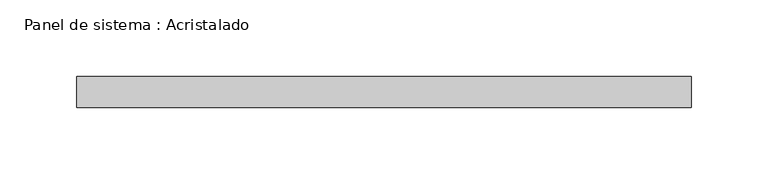
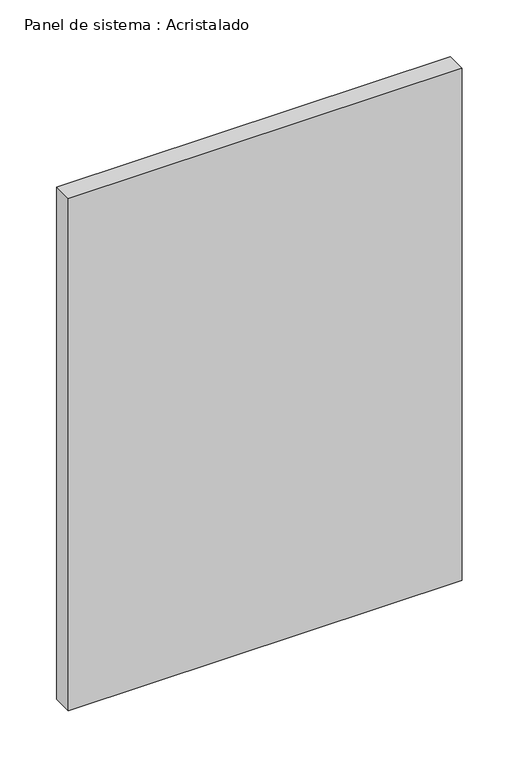
"""IFC4 building model written with IfcOpenShell, lengths in millimetres: plate geometry, Panel de sistema : Acristalado."""

from ifc_helpers import new_model, si_unit, origin, origin_with_axes, place, context, project, spatial, polyline, outline, extrude, source, transform, mapped, element, save


def panel_de_sistema_acristalado_30cf3049(model_context):
    return source(origin(), model_context, "Body", "SweptSolid", [
        extrude(outline(polyline([(200.0, -10.0), (-200.0, -10.0), (-200.0, 10.0), (200.0, 10.0), (200.0, -10.0)])), origin_with_axes(), (0.0, 0.0, 1.0), 550.0),
    ])


if __name__ == "__main__":
    model = new_model("IFC4")
    model_context = context("Model", 3, world=origin())
    ifc_project = project(units=[si_unit("LENGTHUNIT", "METRE", prefix="MILLI")], contexts=[model_context])
    site = spatial("IfcSite", under=ifc_project)
    building = spatial("IfcBuilding", under=site)
    placement = place(None, origin())
    panel_de_sistema_acristalado_shape = panel_de_sistema_acristalado_30cf3049(model_context)
    element("IfcPlate", 1, ObjectType="Panel de sistema : Acristalado", at=placement, inside=building, context=model_context, shape_type="MappedRepresentation", body=[
        mapped(panel_de_sistema_acristalado_shape, transform((0.0, 0.0, 0.0), x_axis=(1.0, 0.0, 0.0), y_axis=(0.0, 1.0, 0.0), z_axis=(0.0, 0.0, 1.0))),
    ])
    save(model, "model.ifc")
